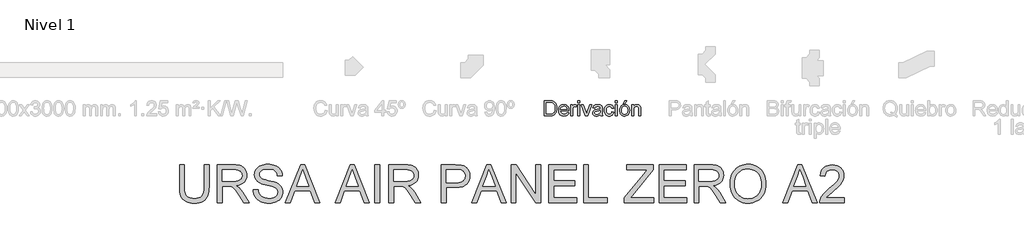
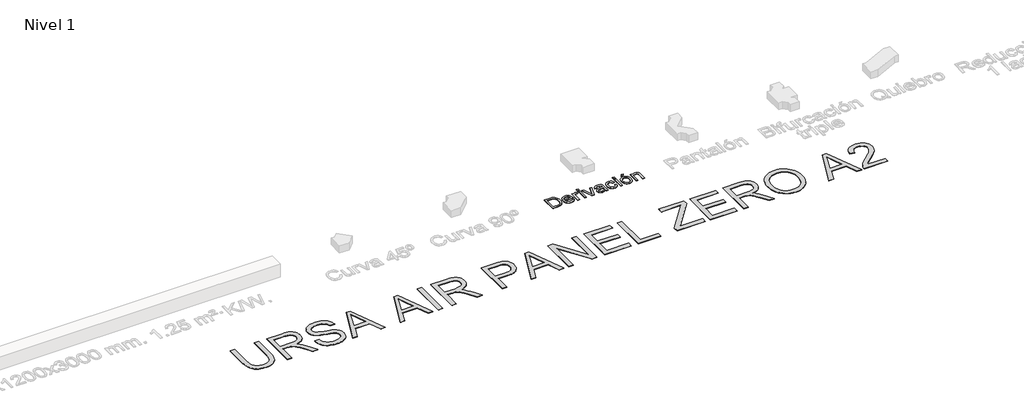
# One storey, part 3 of 6: 2 proxies.
"""IFC4 building model written with IfcOpenShell, lengths in millimetres."""

import ifcopenshell
import ifcopenshell.guid

model = None  # the IFC model being written
_history = None  # IfcOwnerHistory: only IFC2X3 demands one
_inside = {}  # id of a spatial element -> (the spatial element, [elements in it])
_under = {}  # id of a project, library or spatial element -> (it, [spatial elements below it])
_declared = {}  # id of a project -> (the project, [libraries it declares])
_typed = {}  # id of a type object -> (the type object, [elements of that type])
_made_of = {}  # id of a material, layer set ... -> (it, [elements and type objects made of it])


def new_model(schema):
    """Start an empty IFC model of exactly this schema.

    Asked for "IFC4X3", IfcOpenShell would pick the latest addendum, in which some entities
    have other attributes; the version numbers below select the first issue.
    IFC2X3 requires an IfcOwnerHistory on every rooted entity: one is made here for all.
    """
    global model, _history
    if schema == "IFC4X3":
        model = ifcopenshell.file(schema_version=(4, 3, 0, 0))
    else:
        model = ifcopenshell.file(schema=schema)
    _inside.clear()
    _under.clear()
    _declared.clear()
    _typed.clear()
    _made_of.clear()
    _history = None
    if model.schema == "IFC2X3":
        org = make("IfcOrganization", Name="unknown")
        user = make(
            "IfcPersonAndOrganization",
            ThePerson=make("IfcPerson", FamilyName="unknown"),
            TheOrganization=org,
        )
        app = make(
            "IfcApplication",
            ApplicationDeveloper=org,
            Version="unknown",
            ApplicationFullName="unknown",
            ApplicationIdentifier="unknown",
        )
        _history = make(
            "IfcOwnerHistory",
            OwningUser=user,
            OwningApplication=app,
            ChangeAction="ADDED",
            CreationDate=0,
        )
    return model


def make(cls, **values):
    """One entity of the class cls with the attributes given. An attribute that is None is left unset."""
    return model.create_entity(
        cls, **{name: value for name, value in values.items() if value is not None}
    )


def rooted(cls, **values):
    """An entity with a GlobalId (a new one), such as an element, a storey or a relation."""
    return make(cls, GlobalId=ifcopenshell.guid.new(), OwnerHistory=_history, **values)


def si_unit(unit_type, name, prefix=None):
    """IfcSIUnit, for example si_unit("LENGTHUNIT", "METRE", prefix="MILLI")."""
    return make("IfcSIUnit", UnitType=unit_type, Prefix=prefix, Name=name)


def assignment(units):
    """IfcUnitAssignment: the units of a project."""
    return None if units is None else make("IfcUnitAssignment", Units=units)


def point(xyz):
    """IfcCartesianPoint."""
    return None if xyz is None else make("IfcCartesianPoint", Coordinates=xyz)


def direction(xyz):
    """IfcDirection."""
    return None if xyz is None else make("IfcDirection", DirectionRatios=xyz)


def frame(location, z_axis=None, x_axis=None):
    """IfcAxis2Placement3D, a coordinate frame: its origin and axes. An axis left out is left unset."""
    return make(
        "IfcAxis2Placement3D",
        Location=point(location),
        Axis=direction(z_axis),
        RefDirection=direction(x_axis),
    )


def origin():
    """The frame at (0, 0, 0) with its axes left unset."""
    return frame((0.0, 0.0, 0.0))


def origin_with_axes():
    """The frame at (0, 0, 0) with the z axis (0, 0, 1) and the x axis (1, 0, 0) written out."""
    return frame((0.0, 0.0, 0.0), z_axis=(0.0, 0.0, 1.0), x_axis=(1.0, 0.0, 0.0))


def place(relative_to, where):
    """IfcLocalPlacement: puts the frame where relative to a parent placement (None: the world)."""
    return make(
        "IfcLocalPlacement", PlacementRelTo=relative_to, RelativePlacement=where
    )


def context(
    kind, dimensions, precision=None, world=None, true_north=None, identifier=None
):
    """IfcGeometricRepresentationContext, for example the 3D "Model" context."""
    return make(
        "IfcGeometricRepresentationContext",
        ContextIdentifier=identifier,
        ContextType=kind,
        CoordinateSpaceDimension=dimensions,
        Precision=precision,
        WorldCoordinateSystem=world,
        TrueNorth=true_north,
    )


def project(units=None, contexts=None):
    """IfcProject with its units and contexts."""
    return rooted(
        "IfcProject",
        Name="project",
        RepresentationContexts=contexts,
        UnitsInContext=assignment(units),
    )


def spatial(cls, under=None, at=None, **own):
    """A site, building, storey or space (cls), placed at a placement, below another one or the project."""
    s = rooted(cls, ObjectPlacement=at, **own)
    if under is not None:
        _under.setdefault(under.id(), (under, []))[1].append(s)
    return s


def polyline(points):
    """IfcPolyline through the points."""
    return make("IfcPolyline", Points=[point(p) for p in points])


def outline(outer, holes=None, kind="AREA"):
    """IfcArbitraryClosedProfileDef: a profile drawn as a closed curve; with holes, ...WithVoids."""
    if holes is None:
        return make("IfcArbitraryClosedProfileDef", ProfileType=kind, OuterCurve=outer)
    return make(
        "IfcArbitraryProfileDefWithVoids",
        ProfileType=kind,
        OuterCurve=outer,
        InnerCurves=holes,
    )


def extrude(swept, where, along, depth):
    """IfcExtrudedAreaSolid: the profile swept, set in the frame where, extruded along a direction by depth."""
    return make(
        "IfcExtrudedAreaSolid",
        SweptArea=swept,
        Position=where,
        ExtrudedDirection=direction(along),
        Depth=depth,
    )


def shape(context_of_items, identifier, shape_type, items):
    """IfcShapeRepresentation: the items that make up one representation, for example the "Body"."""
    return make(
        "IfcShapeRepresentation",
        ContextOfItems=context_of_items,
        RepresentationIdentifier=identifier,
        RepresentationType=shape_type,
        Items=items,
    )


def made_of(thing, what):
    """Note that an element or type object is made of a material, layer set ...; save() writes the relation."""
    if what is not None:
        _made_of.setdefault(what.id(), (what, []))[1].append(thing)
    return thing


def element(
    cls,
    number,
    at=None,
    inside=None,
    cuts=None,
    type_object=None,
    material=None,
    context=None,
    identifier="Body",
    shape_type=None,
    held_by="IfcProductDefinitionShape",
    body=None,
    shapes=None,
    **own,
):
    """One element of the class cls, such as IfcWall. Its Tag is "e" and its number.

    at: its placement. inside: the storey or other place that contains it. cuts: it is an
    opening in that element (IfcRelVoidsElement). A single representation is given by context,
    identifier, shape_type and body (its items); several are given by shapes. held_by: the class
    of the entity that holds the representations. save() writes the other relations.
    """
    e = rooted(cls, Tag="e%d" % number, ObjectPlacement=at, **own)
    if body is not None:
        shapes = [shape(context, identifier, shape_type, body)]
    if shapes is not None:
        e.Representation = make(held_by, Representations=shapes)
    if inside is not None:
        _inside.setdefault(inside.id(), (inside, []))[1].append(e)
    if cuts is not None:
        rooted(
            "IfcRelVoidsElement", RelatingBuildingElement=cuts, RelatedOpeningElement=e
        )
    if type_object is not None:
        _typed.setdefault(type_object.id(), (type_object, []))[1].append(e)
    return made_of(e, material)


def aggregate(whole, parts):
    """IfcRelAggregates: a whole, such as a stair, and the parts it consists of."""
    return rooted("IfcRelAggregates", RelatingObject=whole, RelatedObjects=parts)


def save(model, path):
    """Write the relations noted so far, then the file.

    IfcRelAggregates (storeys below a building ...), IfcRelContainedInSpatialStructure (elements
    in a storey), IfcRelDefinesByType, IfcRelAssociatesMaterial and IfcRelDeclares: one each for
    every whole, place, type object, material and project.
    """
    for whole, parts in _under.values():
        aggregate(whole, parts)
    for where, things in _inside.values():
        rooted(
            "IfcRelContainedInSpatialStructure",
            RelatedElements=things,
            RelatingStructure=where,
        )
    for kind, things in _typed.values():
        rooted("IfcRelDefinesByType", RelatedObjects=things, RelatingType=kind)
    for what, things in _made_of.values():
        rooted("IfcRelAssociatesMaterial", RelatedObjects=things, RelatingMaterial=what)
    for by, libraries in _declared.values():
        rooted("IfcRelDeclares", RelatingContext=by, RelatedDefinitions=libraries)
    model.write(path)


model = new_model("IFC4")

# Units and contexts
model_context = context("Model", 3, world=origin())
ifc_project = project(units=[si_unit("LENGTHUNIT", "METRE", prefix="MILLI")], contexts=[model_context])

# Site, building, storey
site = spatial("IfcSite", under=ifc_project)
building = spatial("IfcBuilding", under=site)
storey = spatial("IfcBuildingStorey", under=building, Name="Nivel 1", Elevation=0.0)

# Proxies
placement = place(None, origin())
element("IfcBuildingElementProxy", 1, Name="Texto de modelo 1", ObjectType="Texto de modelo 1", at=placement, inside=storey, context=model_context, shape_type="SweptSolid", body=[
    extrude(outline(polyline([(-6629.3028413, -1016.3248037), (-6629.3028413, -614.4995631), (-6490.6849056, -614.4995631), (-6449.2613929, -615.9465656), (-6418.972442, -620.2875732), (-6386.9421829, -631.4466603), (-6359.915119, -649.0314197), (-6332.1277656, -679.6392017), (-6312.3357143, -717.7027255), (-6300.4899141, -762.486227), (-6296.541314, -813.2539424), (-6299.2145898, -856.3819749), (-6307.2344173, -894.3351341), (-6319.4480995, -926.647436), (-6334.7029396, -952.8528968), (-6352.2631735, -973.5401277), (-6371.3930373, -989.2977398), (-6393.3555924, -1000.9841245), (-6419.4139004, -1009.4576731), (-6449.6170122, -1014.6080211), (-6484.0139787, -1016.3248037), (-6629.3028413, -1016.3248037)]), holes=[polyline([(-6579.0746863, -966.0966486), (-6490.1943962, -966.0966486), (-6453.4307222, -964.2817641), (-6425.5452669, -958.8371106), (-6404.5024168, -950.0815191), (-6388.2665581, -938.3338207), (-6370.8166888, -916.5919948), (-6357.707827, -888.4490222), (-6349.5040585, -853.7822755), (-6346.769469, -812.4691274), (-6352.1282834, -757.7282866), (-6358.8268014, -735.7289432), (-6368.2047266, -717.310318), (-6391.9576408, -689.5474901), (-6420.3458681, -672.7720711), (-6449.2368674, -666.7388064), (-6491.5678224, -664.7277182), (-6579.0746863, -664.7277182), (-6579.0746863, -966.0966486)])]), origin_with_axes(), (0.0, 0.0, 1.0), 10.0),
    extrude(outline(polyline([(-6027.1535916, -928.4255323), (-5977.9064552, -934.7040517), (-5985.4572332, -954.428658), (-5995.6506301, -971.8110823), (-6008.4866461, -986.8513245), (-6023.965281, -999.5493847), (-6041.9271194, -1009.6354827), (-6062.2127458, -1016.8398385), (-6109.7553623, -1022.6033231), (-6140.9210986, -1020.1170539), (-6168.6900579, -1012.6582465), (-6193.0622401, -1000.2269007), (-6214.0376452, -982.8230167), (-6230.9050347, -960.9309723), (-6242.95317, -935.0351455), (-6250.1820512, -905.1355363), (-6252.5916783, -871.2321448), (-6250.1575257, -836.179122), (-6242.8550681, -805.2831658), (-6230.6843055, -778.5442761), (-6213.6452377, -755.962453), (-6192.7250149, -738.0220743), (-6168.9107871, -725.2075182), (-6142.2025543, -717.5187845), (-6112.6003164, -714.9558732), (-6083.951506, -717.5126531), (-6058.0434165, -725.1829927), (-6034.8760479, -737.966892), (-6014.4494001, -755.8643511), (-5997.7751486, -778.3971233), (-5985.864969, -805.0869621), (-5978.7188613, -835.9338674), (-5976.3368254, -870.9378392), (-5976.631131, -884.4758966), (-6202.3635232, -884.4758966), (-6199.4541898, -904.519334), (-6193.6692454, -922.0734365), (-6185.0086901, -937.1382042), (-6173.4725239, -949.7136371), (-6159.6984088, -959.6280569), (-6144.3240071, -966.7097853), (-6108.7743436, -972.375168), (-6082.0415853, -969.7509431), (-6059.5272072, -961.8782684), (-6041.2312093, -948.2666346), (-6027.1535916, -928.4255323)]), holes=[polyline([(-6202.3635232, -834.2477415), (-6026.5649804, -834.2477415), (-6033.3585346, -807.711187), (-6046.6758629, -788.728476), (-6060.3733358, -778.4277801), (-6075.9592697, -771.0701402), (-6093.4336644, -766.6555563), (-6112.7965201, -765.1840283), (-6146.6539264, -769.8806551), (-6174.6497462, -783.9705355), (-6194.1107038, -805.9330907), (-6202.3635232, -834.2477415)])]), origin_with_axes(), (0.0, 0.0, 1.0), 10.0),
    extrude(outline(polyline([(-5926.1086703, -1016.3248037), (-5926.1086703, -721.2343926), (-5882.1590346, -721.2343926), (-5882.1590346, -764.8897227), (-5865.9231759, -739.5794415), (-5850.9626414, -724.6679579), (-5835.953056, -717.3838944), (-5819.5700445, -714.9558732), (-5794.5540688, -718.8308969), (-5769.1456857, -730.455968), (-5785.9211047, -775.4847242), (-5803.5794404, -767.7592023), (-5821.2377762, -765.1840283), (-5836.2350989, -767.6611004), (-5849.6382662, -775.0923167), (-5860.4662596, -786.9135915), (-5867.7380604, -802.560839), (-5873.8449015, -830.6179725), (-5875.8805152, -861.2257545), (-5875.8805152, -1016.3248037), (-5926.1086703, -1016.3248037)])), origin_with_axes(), (0.0, 0.0, 1.0), 10.0),
    extrude(outline(polyline([(-5737.7530888, -664.7277182), (-5737.7530888, -614.4995631), (-5687.5249337, -614.4995631), (-5687.5249337, -664.7277182), (-5737.7530888, -664.7277182)])), origin_with_axes(), (0.0, 0.0, 1.0), 10.0),
    extrude(outline(polyline([(-5737.7530888, -1016.3248037), (-5737.7530888, -721.2343926), (-5687.5249337, -721.2343926), (-5687.5249337, -1016.3248037), (-5737.7530888, -1016.3248037)])), origin_with_axes(), (0.0, 0.0, 1.0), 10.0),
    extrude(outline(polyline([(-5539.7835244, -1016.3248037), (-5643.575298, -721.2343926), (-5590.404087, -721.2343926), (-5527.5207913, -898.013954), (-5508.5871312, -957.4636845), (-5490.0458787, -901.3494175), (-5426.7701755, -721.2343926), (-5373.5989645, -721.2343926), (-5476.1154138, -1016.3248037), (-5539.7835244, -1016.3248037)])), origin_with_axes(), (0.0, 0.0, 1.0), 10.0),
    extrude(outline(polyline([(-5141.2937473, -978.6536874), (-5165.2919161, -999.2305537), (-5190.0013234, -1012.6950347), (-5215.986055, -1020.126251), (-5243.8101966, -1022.6033231), (-5266.1743562, -1021.113401), (-5285.7855322, -1016.6436348), (-5302.6437247, -1009.1940244), (-5316.7489335, -998.7645698), (-5327.8865609, -986.0174587), (-5335.842009, -971.6148785), (-5340.6152779, -955.5568295), (-5342.2063676, -937.8433114), (-5339.8028719, -917.0211905), (-5332.5923847, -898.1120559), (-5321.4700858, -881.9252481), (-5307.3311544, -869.2701075), (-5290.715151, -859.7051756), (-5272.1616357, -852.7889941), (-5228.7025093, -845.2351505), (-5177.3461828, -837.2888994), (-5141.5880529, -827.9692222), (-5141.2937473, -816.7856095), (-5144.751838, -794.3693333), (-5155.1261103, -779.7031044), (-5178.3272014, -768.8137973), (-5210.6517661, -765.1840283), (-5240.572835, -767.5997868), (-5261.4685323, -774.8470621), (-5275.7178283, -788.2502294), (-5285.6996931, -809.133664), (-5335.9278482, -802.8551446), (-5327.2090449, -775.3866223), (-5314.198285, -753.8042119), (-5295.6815579, -737.2985731), (-5270.444853, -725.0603654), (-5239.5795536, -717.4819963), (-5204.177043, -714.9558732), (-5170.2215348, -717.1876907), (-5143.3048355, -723.883143), (-5123.0100121, -733.9508469), (-5108.9201317, -746.2994192), (-5099.575929, -761.566522), (-5093.5181388, -780.3898175), (-5091.0655922, -824.3394531), (-5091.0655922, -886.8303414), (-5088.5149437, -974.0919506), (-5078.5085534, -1016.3248037), (-5128.7367085, -1016.3248037), (-5136.7810614, -998.8626717), (-5141.2937473, -978.6536874)]), holes=[polyline([(-5141.2937473, -878.1973772), (-5175.0407889, -886.5605613), (-5222.3258881, -893.5993701), (-5265.5397598, -901.7418249), (-5276.7846861, -907.3091058), (-5285.1110819, -914.9855768), (-5290.2614298, -924.1826266), (-5291.9782125, -934.3116442), (-5288.2380789, -949.2476532), (-5277.017678, -961.4858609), (-5258.5622646, -969.6528412), (-5233.1170933, -972.375168), (-5206.1390803, -969.3707984), (-5182.300327, -960.3576895), (-5162.9742595, -947.0771495), (-5149.5343039, -931.2704864), (-5143.5746156, -914.9855768), (-5141.5880529, -892.4221477), (-5141.2937473, -878.1973772)])]), origin_with_axes(), (0.0, 0.0, 1.0), 10.0),
    extrude(outline(polyline([(-4833.6462974, -909.5899742), (-4783.4181423, -915.8684935), (-4788.88119, -939.5692911), (-4797.4221836, -960.5416305), (-4809.0411233, -978.7855118), (-4823.738009, -994.3009349), (-4840.8935727, -1006.6832297), (-4859.8885464, -1015.527726), (-4880.7229301, -1020.8344238), (-4903.3967237, -1022.6033231), (-4931.5672875, -1020.135448), (-4956.8254521, -1012.7318229), (-4979.1712177, -1000.3924476), (-4998.6045841, -983.1173223), (-5014.334605, -961.2314092), (-5025.5703343, -935.059671), (-5032.3117719, -904.6021074), (-5034.5589177, -869.8587187), (-5030.7206822, -825.1610563), (-5019.2059758, -786.4230822), (-4999.8308574, -755.1408499), (-4972.411386, -732.8104127), (-4939.6085748, -719.4195081), (-4904.0834368, -714.9558732), (-4881.7989849, -716.4887149), (-4861.6421173, -721.0872398), (-4843.6128338, -728.7514481), (-4827.7111346, -739.4813396), (-4814.2067997, -753.0316597), (-4803.3696092, -769.1571539), (-4795.1995632, -787.857822), (-4789.6966617, -809.133664), (-4839.9248168, -815.4121834), (-4849.0360276, -793.4986792), (-4863.2240098, -777.790118), (-4881.7039487, -768.3355507), (-4903.6910293, -765.1840283), (-4920.7576882, -766.7352641), (-4936.150484, -771.3889713), (-4949.8694167, -779.14515), (-4961.9144864, -790.0038003), (-4971.7216073, -804.216308), (-4978.7266936, -822.0340593), (-4982.9297454, -843.4570542), (-4984.3307626, -868.4852926), (-4978.8493209, -915.5619252), (-4971.9975188, -933.4992382), (-4962.4049957, -947.7025489), (-4950.5990494, -958.4968197), (-4937.1069772, -966.2070132), (-4921.9287792, -970.8331293), (-4905.0644554, -972.375168), (-4879.0551984, -968.5246698), (-4857.7303054, -956.9731751), (-4842.2179479, -937.4263785), (-4833.6462974, -909.5899742)])), origin_with_axes(), (0.0, 0.0, 1.0), 10.0),
    extrude(outline(polyline([(-4739.4685067, -1016.3248037), (-4739.4685067, -721.2343926), (-4689.2403516, -721.2343926), (-4689.2403516, -1016.3248037), (-4739.4685067, -1016.3248037)])), origin_with_axes(), (0.0, 0.0, 1.0), 10.0),
    extrude(outline(polyline([(-4739.4685067, -664.7277182), (-4739.4685067, -614.4995631), (-4689.2403516, -614.4995631), (-4689.2403516, -664.7277182), (-4739.4685067, -664.7277182)])), origin_with_axes(), (0.0, 0.0, 1.0), 10.0),
    extrude(outline(polyline([(-4626.4551577, -868.7795982), (-4623.7389623, -830.5627902), (-4615.5903761, -797.6312203), (-4602.0093992, -769.9848884), (-4582.9960314, -747.6237944), (-4563.8539049, -733.3315789), (-4542.7252156, -723.1228535), (-4519.6099636, -716.9976183), (-4494.5081488, -714.9558732), (-4466.7974375, -717.4421424), (-4441.741608, -724.9009498), (-4419.3406601, -737.3322956), (-4399.594594, -754.7361797), (-4383.478297, -776.5239908), (-4371.9666562, -802.1071179), (-4365.0596717, -831.4855609), (-4362.7573436, -864.6593198), (-4366.828571, -915.4025097), (-4379.0422532, -954.0301192), (-4399.0427711, -982.9579067), (-4426.4745052, -1004.6016308), (-4459.0565872, -1018.1029), (-4494.5081488, -1022.6033231), (-4522.6235303, -1020.126251), (-4547.9123518, -1012.6950347), (-4570.3746133, -1000.3096742), (-4590.0103147, -982.9701695), (-4605.9549336, -960.9708262), (-4617.343947, -934.6059498), (-4624.1773551, -903.8755405), (-4626.4551577, -868.7795982)]), holes=[polyline([(-4576.2270027, -868.6814963), (-4574.7738688, -893.0444814), (-4570.4144671, -914.1394482), (-4563.1487977, -931.9663965), (-4552.9768606, -946.5253265), (-4540.6037628, -957.8346321), (-4526.7346116, -965.9127076), (-4511.3694069, -970.7595529), (-4494.5081488, -972.375168), (-4477.7327298, -970.7503559), (-4462.4288388, -965.8759194), (-4448.5964758, -957.7518587), (-4436.2356408, -946.3781737), (-4426.0637036, -931.6751566), (-4418.7980342, -913.5630997), (-4414.4386326, -892.042003), (-4412.9854987, -867.1118665), (-4414.4478296, -843.5214335), (-4418.8348224, -822.9782898), (-4426.146477, -805.4824352), (-4436.3827936, -791.0338698), (-4448.7896139, -779.7245642), (-4462.6127798, -771.6464887), (-4477.8522915, -766.7996434), (-4494.5081488, -765.1840283), (-4511.3694069, -766.793512), (-4526.7346116, -771.6219632), (-4540.6037628, -779.6693819), (-4552.9768606, -790.935768), (-4563.1487977, -805.4517784), (-4570.4144671, -823.2480699), (-4574.7738688, -844.3246425), (-4576.2270027, -868.6814963)])]), origin_with_axes(), (0.0, 0.0, 1.0), 10.0),
    extrude(outline(polyline([(-4532.277367, -689.8417957), (-4494.6062507, -614.4995631), (-4431.8210568, -614.4995631), (-4494.6062507, -689.8417957), (-4532.277367, -689.8417957)])), origin_with_axes(), (0.0, 0.0, 1.0), 10.0),
    extrude(outline(polyline([(-4306.2506691, -1016.3248037), (-4306.2506691, -721.2343926), (-4256.0225141, -721.2343926), (-4256.0225141, -762.4371761), (-4238.5726448, -741.6641061), (-4217.6156338, -726.826199), (-4193.1514811, -717.9234547), (-4165.1801867, -714.9558732), (-4140.4217284, -717.3471062), (-4117.7479348, -724.5208051), (-4098.8388003, -735.5817904), (-4085.3743192, -749.6348827), (-4076.238583, -766.6432936), (-4070.3156829, -786.570235), (-4067.6669325, -835.1306583), (-4067.6669325, -1016.3248037), (-4117.8950876, -1016.3248037), (-4117.8950876, -841.899687), (-4119.3420901, -815.9272182), (-4123.6830977, -797.459542), (-4131.6906624, -784.2280529), (-4144.1373366, -773.9641453), (-4160.0911525, -767.3790576), (-4178.6201423, -765.1840283), (-4208.0384392, -770.1136471), (-4233.1157285, -784.9025033), (-4243.1374472, -796.9751641), (-4250.2958177, -813.4746716), (-4254.59084, -834.4010257), (-4256.0225141, -859.7542265), (-4256.0225141, -1016.3248037), (-4306.2506691, -1016.3248037)])), origin_with_axes(), (0.0, 0.0, 1.0), 10.0),
])
element("IfcBuildingElementProxy", 2, Name="Texto de modelo 2", ObjectType="Texto de modelo 2", at=placement, inside=storey, context=model_context, shape_type="SweptSolid", body=[
    extrude(outline(polyline([(-15676.2135615, -2321.7490961), (-15550.6431738, -2321.7490961), (-15550.6431738, -2901.2858659), (-15552.7738237, -2973.0458476), (-15559.1657733, -3037.0036653), (-15569.8190228, -3093.159319), (-15584.733572, -3141.5128087), (-15605.197008, -3183.8958802), (-15632.4969177, -3222.1402793), (-15666.6333012, -3256.246006), (-15707.6061584, -3286.2130602), (-15755.4614746, -3310.6235634), (-15810.2452351, -3328.0596371), (-15871.9574397, -3338.5212813), (-15940.5980887, -3342.0084961), (-16007.5449476, -3338.9734696), (-16068.0998568, -3329.8683902), (-16122.2628164, -3314.6932579), (-16170.0338263, -3293.4480727), (-16211.4205508, -3266.4470671), (-16246.430654, -3234.0044737), (-16275.064136, -3196.1202924), (-16297.3209967, -3152.7945232), (-16314.005978, -3102.5403099), (-16325.9238218, -3043.8707958), (-16333.0745281, -2976.7859812), (-16335.4580968, -2901.2858659), (-16335.4580968, -2321.7490961), (-16209.8877091, -2321.7490961), (-16209.8877091, -2896.8712819), (-16208.3395391, -2957.5794753), (-16203.6950289, -3009.7190839), (-16195.9541786, -3053.2901078), (-16185.1169881, -3088.2925467), (-16170.5090072, -3117.2555897), (-16151.4557856, -3142.7084252), (-16127.9573231, -3164.6510534), (-16100.0136199, -3183.0834742), (-16068.1611705, -3197.6761266), (-16032.9364695, -3208.0994498), (-15994.3395168, -3214.3534438), (-15952.3703125, -3216.4381084), (-15883.1625122, -3212.3147644), (-15824.6539465, -3199.9447323), (-15776.8446156, -3179.3280121), (-15756.9521631, -3165.927144), (-15739.7345193, -3150.4646039), (-15724.8467948, -3132.0705042), (-15711.9441003, -3109.8749571), (-15692.0938009, -3054.0795212), (-15680.1836213, -2983.0782961), (-15676.2135615, -2896.8712819), (-15676.2135615, -2321.7490961)])), origin_with_axes(), (0.0, 0.0, 1.0), 10.0),
    extrude(outline(polyline([(-15330.8949953, -3326.3121976), (-15330.8949953, -2321.7490961), (-14898.0205143, -2321.7490961), (-14835.8867782, -2323.4428862), (-14781.6778334, -2328.5242562), (-14735.3936799, -2336.9932063), (-14697.0343177, -2348.8497364), (-14664.3694622, -2365.0058874), (-14635.1688288, -2386.3737), (-14609.4324175, -2412.9531741), (-14587.1602284, -2444.7443099), (-14569.1876601, -2480.0379888), (-14556.3501113, -2517.1250924), (-14548.6475821, -2556.0056208), (-14546.0800723, -2596.6795739), (-14550.3337079, -2648.2750237), (-14563.0946146, -2695.6398306), (-14584.3627924, -2738.7739945), (-14614.1382414, -2777.6775155), (-14652.8041719, -2811.1087918), (-14700.7437944, -2837.8262217), (-14757.9571089, -2857.8298052), (-14824.4441153, -2871.1195423), (-14783.0573909, -2898.1588689), (-14753.0750082, -2924.8303136), (-14701.6328426, -2985.8374111), (-14651.2943229, -3054.0795212), (-14483.7853878, -3326.3121976), (-14629.7119125, -3326.3121976), (-14760.4326482, -3118.0909884), (-14812.7332051, -3038.6284774), (-14854.8556936, -2980.2578675), (-14889.9577673, -2940.0667595), (-14921.19708, -2915.1427544), (-14950.7809238, -2900.519445), (-14980.9165906, -2891.2304247), (-15053.7572256, -2886.8158407), (-15205.3246077, -2886.8158407), (-15205.3246077, -3326.3121976), (-15330.8949953, -3326.3121976)]), holes=[polyline([(-15205.3246077, -2761.245453), (-14924.2627633, -2761.245453), (-14843.5433222, -2756.8002123), (-14780.9114126, -2743.4644899), (-14755.7268243, -2733.2404362), (-14733.7612035, -2720.3492379), (-14715.0145502, -2704.7908952), (-14699.4868643, -2686.565408), (-14687.3084374, -2666.5694887), (-14678.6095611, -2645.6998497), (-14673.3902353, -2623.956491), (-14671.65046, -2601.3394125), (-14674.9690621, -2569.22638), (-14684.9248686, -2540.0870603), (-14701.5178795, -2513.9214534), (-14724.7480946, -2490.7295593), (-14755.1520087, -2471.7376513), (-14793.2661162, -2458.1720027), (-14839.0904172, -2450.0326135), (-14892.6249118, -2447.3194838), (-15205.3246077, -2447.3194838), (-15205.3246077, -2761.245453)])]), origin_with_axes(), (0.0, 0.0, 1.0), 10.0),
    extrude(outline(polyline([(-14373.4207892, -2980.9936315), (-14247.8504015, -2980.9936315), (-14242.1022454, -3017.5442406), (-14233.4416901, -3050.6766127), (-14221.8687356, -3080.3907481), (-14207.3833821, -3106.6866465), (-14189.2498654, -3130.0931385), (-14166.7324216, -3151.1390543), (-14139.8310507, -3169.8243939), (-14108.5457527, -3186.1491575), (-14074.0261588, -3199.4005735), (-14037.4219003, -3208.8658707), (-13998.7329771, -3214.545049), (-13957.9593893, -3216.4381084), (-13888.0004966, -3210.7052806), (-13856.2860029, -3203.5392459), (-13826.7481444, -3193.5067974), (-13800.1150208, -3180.9681527), (-13777.1147319, -3166.2835297), (-13757.7472777, -3149.4529284), (-13742.0126582, -3130.4763489), (-13729.8342313, -3110.1738613), (-13721.1353549, -3089.3655359), (-13715.9160291, -3068.0513728), (-13714.1762539, -3046.231372), (-13719.3879155, -3004.200854), (-13735.0229003, -2967.872507), (-13748.1746816, -2951.7546771), (-13766.7833792, -2936.8784489), (-13790.848993, -2923.2438225), (-13820.3715231, -2910.8507977), (-13886.6822528, -2891.1384542), (-14003.2088747, -2862.903511), (-14123.2303757, -2831.173689), (-14167.0313257, -2815.8835935), (-14200.0257422, -2800.9767085), (-14233.5566532, -2780.973125), (-14262.5350245, -2758.7315927), (-14286.9608562, -2734.2521116), (-14306.8341481, -2707.5346817), (-14322.2315424, -2678.8552145), (-14333.2296813, -2648.4896215), (-14339.8285645, -2616.4379027), (-14342.0281923, -2582.700058), (-14339.3073984, -2545.3063861), (-14331.1450166, -2509.1543158), (-14317.541047, -2474.2438473), (-14298.4954895, -2440.5749806), (-14274.2229421, -2409.5196088), (-14244.9380024, -2382.4496253), (-14210.6406706, -2359.3650301), (-14171.3309465, -2340.2658232), (-14128.3347384, -2325.2976245), (-14082.977954, -2314.6060541), (-14035.2605936, -2308.1911118), (-13985.182657, -2306.0527977), (-13930.5521807, -2308.2907465), (-13879.2326424, -2315.0045929), (-13831.224042, -2326.1943369), (-13786.5263796, -2341.8599785), (-13745.9673896, -2361.863562), (-13710.3748066, -2386.0671316), (-13679.7486305, -2414.4706873), (-13654.0888613, -2447.0742292), (-13633.5947685, -2482.9273953), (-13618.4656215, -2521.0798239), (-13608.7014202, -2561.5315149), (-13604.3021646, -2604.2824684), (-13729.8725523, -2604.2824684), (-13738.2725246, -2564.2139878), (-13752.9264907, -2529.3571687), (-13773.8344508, -2499.7120113), (-13800.9964047, -2475.2785155), (-13834.9181904, -2456.1793085), (-13876.1056454, -2442.5370179), (-13924.5587699, -2434.3516435), (-13980.2775637, -2431.6231854), (-14037.7744539, -2434.3209867), (-14086.9020286, -2442.4143906), (-14127.660288, -2455.903397), (-14160.049232, -2474.7880061), (-14184.7279825, -2497.4893909), (-14202.3556615, -2522.4287245), (-14212.9322688, -2549.6060069), (-14216.4578046, -2579.0212381), (-14213.9592727, -2604.3284537), (-14206.4636771, -2627.2750931), (-14193.9710177, -2647.8611564), (-14176.4812945, -2666.0866436), (-14148.9514585, -2683.3464406), (-14105.6026967, -2700.7901785), (-14046.4350092, -2718.4178574), (-13971.4483958, -2736.2294774), (-13833.0021383, -2769.8906799), (-13784.2884308, -2785.1117975), (-13749.2476707, -2799.2599259), (-13710.7503528, -2820.7043805), (-13677.6639658, -2844.8159796), (-13649.9885099, -2871.5947232), (-13627.723985, -2901.0406112), (-13610.609808, -2933.0003595), (-13598.3853959, -2967.320684), (-13591.0507486, -3004.0015846), (-13588.6058662, -3043.0430613), (-13591.4186306, -3082.3221285), (-13599.8569239, -3120.4515645), (-13613.920746, -3157.4313692), (-13633.6100969, -3193.2615427), (-13658.5800873, -3226.5548633), (-13688.4858279, -3255.9241092), (-13723.3273185, -3281.3692806), (-13763.1045592, -3302.8903773), (-13806.6602546, -3320.0045543), (-13852.8371092, -3332.2289664), (-13901.635123, -3339.5636137), (-13953.0542961, -3342.0084961), (-14017.2880253, -3339.3720085), (-14076.0801666, -3331.4625456), (-14129.4307201, -3318.2801074), (-14177.3396858, -3299.824694), (-14220.0983035, -3276.0656485), (-14257.9978132, -3246.972314), (-14291.0382149, -3212.5446906), (-14319.2195086, -3172.7827783), (-14341.9208934, -3128.974164), (-14358.5215684, -3082.4064348), (-14369.0215337, -3033.0795906), (-14373.4207892, -2980.9936315)])), origin_with_axes(), (0.0, 0.0, 1.0), 10.0),
    extrude(outline(polyline([(-13517.2367591, -3326.3121976), (-13116.2453844, -2321.7490961), (-13009.3143511, -2321.7490961), (-12608.3229764, -3326.3121976), (-12741.0057493, -3326.3121976), (-12856.0301865, -3012.3862284), (-13269.7748037, -3012.3862284), (-13384.5539862, -3326.3121976), (-13517.2367591, -3326.3121976)]), holes=[polyline([(-13223.666927, -2886.8158407), (-12901.8928085, -2886.8158407), (-12992.3917793, -2639.8443946), (-13062.7798677, -2447.3194838), (-13125.3198069, -2618.2619842), (-13223.666927, -2886.8158407)])]), origin_with_axes(), (0.0, 0.0, 1.0), 10.0),
    extrude(outline(polyline([(-12198.7476884, -3326.3121976), (-11797.7563137, -2321.7490961), (-11690.8252804, -2321.7490961), (-11289.8339057, -3326.3121976), (-11422.5166786, -3326.3121976), (-11537.5411157, -3012.3862284), (-11951.285733, -3012.3862284), (-12066.0649155, -3326.3121976), (-12198.7476884, -3326.3121976)]), holes=[polyline([(-11905.1778563, -2886.8158407), (-11583.4037378, -2886.8158407), (-11673.9027086, -2639.8443946), (-11744.290797, -2447.3194838), (-11806.8307362, -2618.2619842), (-11905.1778563, -2886.8158407)])]), origin_with_axes(), (0.0, 0.0, 1.0), 10.0),
    extrude(outline(polyline([(-11139.9833063, -3326.3121976), (-11139.9833063, -2321.7490961), (-11014.4129186, -2321.7490961), (-11014.4129186, -3326.3121976), (-11139.9833063, -3326.3121976)])), origin_with_axes(), (0.0, 0.0, 1.0), 10.0),
    extrude(outline(polyline([(-10763.2721432, -3326.3121976), (-10763.2721432, -2321.7490961), (-10330.3976622, -2321.7490961), (-10268.2639261, -2323.4428862), (-10214.0549813, -2328.5242562), (-10167.7708277, -2336.9932063), (-10129.4114655, -2348.8497364), (-10096.74661, -2365.0058874), (-10067.5459767, -2386.3737), (-10041.8095654, -2412.9531741), (-10019.5373763, -2444.7443099), (-10001.564808, -2480.0379888), (-9988.7272592, -2517.1250924), (-9981.0247299, -2556.0056208), (-9978.4572202, -2596.6795739), (-9982.7108558, -2648.2750237), (-9995.4717625, -2695.6398306), (-10016.7399403, -2738.7739945), (-10046.5153893, -2777.6775155), (-10085.1813198, -2811.1087918), (-10133.1209423, -2837.8262217), (-10190.3342568, -2857.8298052), (-10256.8212632, -2871.1195423), (-10215.4345387, -2898.1588689), (-10185.4521561, -2924.8303136), (-10134.0099905, -2985.8374111), (-10083.6714708, -3054.0795212), (-9916.1625357, -3326.3121976), (-10062.0890604, -3326.3121976), (-10192.809796, -3118.0909884), (-10245.110353, -3038.6284774), (-10287.2328415, -2980.2578675), (-10322.3349152, -2940.0667595), (-10353.5742279, -2915.1427544), (-10383.1580717, -2900.519445), (-10413.2937385, -2891.2304247), (-10486.1343735, -2886.8158407), (-10637.7017555, -2886.8158407), (-10637.7017555, -3326.3121976), (-10763.2721432, -3326.3121976)]), holes=[polyline([(-10637.7017555, -2761.245453), (-10356.6399112, -2761.245453), (-10275.9204701, -2756.8002123), (-10213.2885604, -2743.4644899), (-10188.1039722, -2733.2404362), (-10166.1383514, -2720.3492379), (-10147.391698, -2704.7908952), (-10131.8640122, -2686.565408), (-10119.6855853, -2666.5694887), (-10110.9867089, -2645.6998497), (-10105.7673831, -2623.956491), (-10104.0276079, -2601.3394125), (-10107.34621, -2569.22638), (-10117.3020165, -2540.0870603), (-10133.8950274, -2513.9214534), (-10157.1252425, -2490.7295593), (-10187.5291566, -2471.7376513), (-10225.6432641, -2458.1720027), (-10271.4675651, -2450.0326135), (-10325.0020596, -2447.3194838), (-10637.7017555, -2447.3194838), (-10637.7017555, -2761.245453)])]), origin_with_axes(), (0.0, 0.0, 1.0), 10.0),
    extrude(outline(polyline([(-9366.3015802, -3326.3121976), (-9366.3015802, -2321.7490961), (-8994.0050011, -2321.7490961), (-8907.3074776, -2324.1403291), (-8843.9091471, -2331.314028), (-8808.9680217, -2338.8479447), (-8776.9852808, -2349.1869616), (-8747.9609242, -2362.3310787), (-8721.894952, -2378.2802961), (-8698.5114527, -2397.3641746), (-8677.5345147, -2419.9122752), (-8658.9641382, -2445.9245979), (-8642.800323, -2475.4011428), (-8629.7098554, -2507.3685553), (-8620.3595213, -2540.8534811), (-8614.7493209, -2575.8559201), (-8612.8792541, -2612.3758723), (-8617.9299673, -2674.0420918), (-8633.082107, -2730.7725611), (-8658.3356731, -2782.5672803), (-8693.6906657, -2829.4262495), (-8715.9264498, -2850.2345748), (-8742.2280964, -2868.2684568), (-8772.5956055, -2883.5278954), (-8807.028977, -2896.0128906), (-8845.528211, -2905.7234424), (-8888.0933075, -2912.6595509), (-8985.4210879, -2918.2084376), (-9240.7311925, -2918.2084376), (-9240.7311925, -3326.3121976), (-9366.3015802, -3326.3121976)]), holes=[polyline([(-9240.7311925, -2792.63805), (-8978.063448, -2792.63805), (-8917.6694871, -2789.7563077), (-8866.7178308, -2781.1110808), (-8825.208479, -2766.7023693), (-8793.1414317, -2746.5301732), (-8769.2137736, -2721.1309871), (-8752.1225893, -2691.0413056), (-8741.8678786, -2656.2611287), (-8738.4496418, -2616.7904563), (-8740.4653285, -2587.482524), (-8746.5123888, -2560.3818837), (-8756.5908227, -2535.4885353), (-8770.70063, -2512.802479), (-8788.0907185, -2493.0594786), (-8808.0099957, -2476.9952981), (-8830.4584616, -2464.6099376), (-8855.4361162, -2455.903397), (-8903.8739123, -2449.4654621), (-8981.0065039, -2447.3194838), (-9240.7311925, -2447.3194838), (-9240.7311925, -2792.63805)])]), origin_with_axes(), (0.0, 0.0, 1.0), 10.0),
    extrude(outline(polyline([(-8557.2064455, -3326.3121976), (-8156.2150707, -2321.7490961), (-8049.2840375, -2321.7490961), (-7648.2926627, -3326.3121976), (-7780.9754357, -3326.3121976), (-7895.9998728, -3012.3862284), (-8309.7444901, -3012.3862284), (-8424.5236726, -3326.3121976), (-8557.2064455, -3326.3121976)]), holes=[polyline([(-8263.6366133, -2886.8158407), (-7941.8624949, -2886.8158407), (-8032.3614657, -2639.8443946), (-8102.7495541, -2447.3194838), (-8165.2894933, -2618.2619842), (-8263.6366133, -2886.8158407)])]), origin_with_axes(), (0.0, 0.0, 1.0), 10.0),
    extrude(outline(polyline([(-7514.1383618, -3326.3121976), (-7514.1383618, -2321.7490961), (-7379.7388063, -2321.7490961), (-6854.8938265, -3117.600479), (-6854.8938265, -2321.7490961), (-6729.3234388, -2321.7490961), (-6729.3234388, -3326.3121976), (-6863.7229944, -3326.3121976), (-7388.5679741, -2530.2155601), (-7388.5679741, -3326.3121976), (-7514.1383618, -3326.3121976)])), origin_with_axes(), (0.0, 0.0, 1.0), 10.0),
    extrude(outline(polyline([(-6509.5752603, -3326.3121976), (-6509.5752603, -2321.7490961), (-5787.5455311, -2321.7490961), (-5787.5455311, -2447.3194838), (-6384.0048726, -2447.3194838), (-6384.0048726, -2745.5491546), (-5818.938128, -2745.5491546), (-5818.938128, -2871.1195423), (-6384.0048726, -2871.1195423), (-6384.0048726, -3200.7418099), (-5771.8492327, -3200.7418099), (-5771.8492327, -3326.3121976), (-6509.5752603, -3326.3121976)])), origin_with_axes(), (0.0, 0.0, 1.0), 10.0),
    extrude(outline(polyline([(-5583.4936511, -3326.3121976), (-5583.4936511, -2321.7490961), (-5457.9232634, -2321.7490961), (-5457.9232634, -3200.7418099), (-4955.6417127, -3200.7418099), (-4955.6417127, -3326.3121976), (-5583.4936511, -3326.3121976)])), origin_with_axes(), (0.0, 0.0, 1.0), 10.0),
    extrude(outline(polyline([(-4500.4490573, -3326.3121976), (-4500.4490573, -3196.0819713), (-3986.6405374, -2567.0037596), (-3889.0291814, -2447.3194838), (-4437.6638635, -2447.3194838), (-4437.6638635, -2321.7490961), (-3731.3304328, -2321.7490961), (-3731.3304328, -2447.3194838), (-4293.699376, -3135.7493241), (-4346.6743834, -3200.7418099), (-3715.6341343, -3200.7418099), (-3715.6341343, -3326.3121976), (-4500.4490573, -3326.3121976)])), origin_with_axes(), (0.0, 0.0, 1.0), 10.0),
    extrude(outline(polyline([(-3574.3674481, -3326.3121976), (-3574.3674481, -2321.7490961), (-2852.3377189, -2321.7490961), (-2852.3377189, -2447.3194838), (-3448.7970605, -2447.3194838), (-3448.7970605, -2745.5491546), (-2883.7303159, -2745.5491546), (-2883.7303159, -2871.1195423), (-3448.7970605, -2871.1195423), (-3448.7970605, -3200.7418099), (-2836.6414205, -3200.7418099), (-2836.6414205, -3326.3121976), (-3574.3674481, -3326.3121976)])), origin_with_axes(), (0.0, 0.0, 1.0), 10.0),
    extrude(outline(polyline([(-2648.285839, -3326.3121976), (-2648.285839, -2321.7490961), (-2215.411358, -2321.7490961), (-2153.2776218, -2323.4428862), (-2099.068677, -2328.5242562), (-2052.7845235, -2336.9932063), (-2014.4251613, -2348.8497364), (-1981.7603058, -2365.0058874), (-1952.5596724, -2386.3737), (-1926.8232612, -2412.9531741), (-1904.551072, -2444.7443099), (-1886.5785037, -2480.0379888), (-1873.7409549, -2517.1250924), (-1866.0384257, -2556.0056208), (-1863.4709159, -2596.6795739), (-1867.7245515, -2648.2750237), (-1880.4854582, -2695.6398306), (-1901.753636, -2738.7739945), (-1931.529085, -2777.6775155), (-1970.1950156, -2811.1087918), (-2018.134638, -2837.8262217), (-2075.3479525, -2857.8298052), (-2141.8349589, -2871.1195423), (-2100.4482345, -2898.1588689), (-2070.4658519, -2924.8303136), (-2019.0236862, -2985.8374111), (-1968.6851665, -3054.0795212), (-1801.1762314, -3326.3121976), (-1947.1027561, -3326.3121976), (-2077.8234918, -3118.0909884), (-2130.1240487, -3038.6284774), (-2172.2465372, -2980.2578675), (-2207.3486109, -2940.0667595), (-2238.5879237, -2915.1427544), (-2268.1717674, -2900.519445), (-2298.3074342, -2891.2304247), (-2371.1480693, -2886.8158407), (-2522.7154513, -2886.8158407), (-2522.7154513, -3326.3121976), (-2648.285839, -3326.3121976)]), holes=[polyline([(-2522.7154513, -2761.245453), (-2241.6536069, -2761.245453), (-2160.9341658, -2756.8002123), (-2098.3022562, -2743.4644899), (-2073.1176679, -2733.2404362), (-2051.1520471, -2720.3492379), (-2032.4053938, -2704.7908952), (-2016.8777079, -2686.565408), (-2004.699281, -2666.5694887), (-1996.0004047, -2645.6998497), (-1990.7810789, -2623.956491), (-1989.0413036, -2601.3394125), (-1992.3599058, -2569.22638), (-2002.3157123, -2540.0870603), (-2018.9087231, -2513.9214534), (-2042.1389382, -2490.7295593), (-2072.5428523, -2471.7376513), (-2110.6569598, -2458.1720027), (-2156.4812609, -2450.0326135), (-2210.0157554, -2447.3194838), (-2522.7154513, -2447.3194838), (-2522.7154513, -2761.245453)])]), origin_with_axes(), (0.0, 0.0, 1.0), 10.0),
    extrude(outline(polyline([(-1690.8116328, -2837.2743987), (-1688.719304, -2776.6696721), (-1682.4423174, -2719.4448613), (-1671.9806732, -2665.5999664), (-1657.3343713, -2615.1349873), (-1638.5034116, -2568.049924), (-1615.4877943, -2524.3447766), (-1588.2875193, -2484.0195449), (-1556.9025866, -2447.0742292), (-1522.210548, -2414.0223312), (-1485.0889555, -2385.3773529), (-1445.5378089, -2361.1392943), (-1403.5571083, -2341.3081555), (-1359.1468537, -2325.8839365), (-1312.3070451, -2314.8666371), (-1263.0376824, -2308.2562575), (-1211.3387658, -2306.0527977), (-1143.7557776, -2310.1914701), (-1079.5756979, -2322.6074875), (-1018.7985266, -2343.3008497), (-961.4242637, -2372.2715568), (-909.0623931, -2408.6458891), (-863.3223984, -2451.5501268), (-824.2042795, -2500.9842699), (-791.7080366, -2556.9483184), (-766.1708948, -2618.1700137), (-747.9300792, -2683.3770974), (-736.9855898, -2752.5695693), (-733.3374267, -2825.7474295), (-737.177195, -2899.89098), (-748.6965, -2970.0184853), (-767.8953416, -3036.1299455), (-794.7737199, -3098.2253606), (-828.6955056, -3154.66459), (-869.0245693, -3203.8074932), (-915.7609111, -3245.6540702), (-968.904531, -3280.2043209), (-1026.3631001, -3307.2436475), (-1086.0442896, -3326.5574523), (-1147.9480995, -3338.1457351), (-1212.0745298, -3342.0084961), (-1280.837806, -3337.7395321), (-1345.8609487, -3324.9326401), (-1407.1439577, -3303.5878202), (-1464.6868331, -3273.7050723), (-1516.9873901, -3236.4416919), (-1562.5434439, -3192.9549744), (-1601.3549943, -3143.2449198), (-1633.4220416, -3087.3115281), (-1658.5299878, -3027.4004123), (-1676.464235, -2965.7571855), (-1687.2247834, -2902.3818476), (-1690.8116328, -2837.2743987)]), holes=[polyline([(-1565.2412452, -2838.500672), (-1563.6719985, -2881.2937787), (-1558.9642586, -2921.7493019), (-1551.1180254, -2959.8672415), (-1540.133299, -2995.6475976), (-1526.0100793, -3029.0903703), (-1508.7483663, -3060.1955594), (-1488.34816, -3088.963165), (-1464.8094605, -3115.3931871), (-1438.9025206, -3139.0755905), (-1411.3975933, -3159.6003401), (-1382.2946786, -3176.967436), (-1351.5937765, -3191.1768781), (-1319.2948869, -3202.2286663), (-1285.3980099, -3210.1228008), (-1249.9031456, -3214.8592815), (-1212.8102938, -3216.4381084), (-1175.0391595, -3214.8439531), (-1138.9809759, -3210.0614872), (-1104.6357427, -3202.0907106), (-1072.0034601, -3190.9316234), (-1041.0841281, -3176.5842256), (-1011.8777465, -3159.0485172), (-984.3843155, -3138.3244981), (-958.6038351, -3114.4121684), (-935.2375803, -3087.5682791), (-914.9868261, -3058.0495811), (-897.8515725, -3025.8560744), (-883.8318196, -2990.987759), (-872.9275673, -2953.444635), (-865.1388157, -2913.2267023), (-860.4655647, -2870.3339609), (-858.9078144, -2824.7664109), (-861.5749589, -2767.3001775), (-869.5763923, -2713.6047347), (-882.9121146, -2663.6800822), (-901.5821259, -2617.5262203), (-925.3794924, -2575.7486212), (-954.0972807, -2538.9527575), (-987.7354906, -2507.1386291), (-1026.2941222, -2480.3062361), (-1068.577559, -2459.0074014), (-1113.3901846, -2443.793948), (-1160.7319988, -2434.665876), (-1210.6030018, -2431.6231854), (-1280.6691935, -2437.4863047), (-1345.6770077, -2455.0756626), (-1376.2840233, -2468.267681), (-1405.6264445, -2484.391259), (-1460.5175039, -2525.4330941), (-1485.0621307, -2550.8456926), (-1506.3341407, -2580.1785335), (-1524.3335337, -2613.431617), (-1539.0603098, -2650.604943), (-1550.514469, -2691.6985115), (-1558.6960113, -2736.7123225), (-1563.6049367, -2785.646376), (-1565.2412452, -2838.500672)])]), origin_with_axes(), (0.0, 0.0, 1.0), 10.0),
    extrude(outline(polyline([(-285.2571566, -3326.3121976), (115.7342181, -2321.7490961), (222.6652514, -2321.7490961), (623.6566262, -3326.3121976), (490.9738532, -3326.3121976), (375.9494161, -3012.3862284), (-37.7952012, -3012.3862284), (-152.5743837, -3326.3121976), (-285.2571566, -3326.3121976)]), holes=[polyline([(8.3126756, -2886.8158407), (330.086794, -2886.8158407), (239.5878232, -2639.8443946), (169.1997348, -2447.3194838), (106.6597956, -2618.2619842), (8.3126756, -2886.8158407)])]), origin_with_axes(), (0.0, 0.0, 1.0), 10.0),
    extrude(outline(polyline([(1354.2702686, -3200.7418099), (1354.2702686, -3326.3121976), (695.0257332, -3326.3121976), (697.7848482, -3282.1050445), (708.5147397, -3239.7373014), (722.2030156, -3205.6545674), (739.478141, -3172.0776712), (760.3401158, -3139.0066126), (784.78894, -3106.4413918), (814.2961417, -3073.1097502), (850.3332488, -3037.7394292), (941.9971793, -2960.8827491), (1077.5003809, -2840.524023), (1124.9265014, -2792.162869), (1158.8023018, -2751.6805212), (1182.5153621, -2715.382831), (1199.4532623, -2679.5756501), (1209.6160024, -2644.2589786), (1213.0035824, -2609.4328164), (1209.8076076, -2576.6683262), (1200.2196831, -2546.555652), (1184.2398089, -2519.0947939), (1161.8679851, -2494.2857519), (1134.3458133, -2473.7380096), (1102.9148954, -2459.0610508), (1067.5752312, -2450.2548756), (1028.3268208, -2447.3194838), (986.9784174, -2450.1858977), (949.9986127, -2458.7851393), (917.3874067, -2473.1172087), (889.1447993, -2493.1821059), (866.2977946, -2518.3053805), (849.8733964, -2547.8125822), (839.8716046, -2581.703711), (836.2924194, -2619.9787669), (710.7220317, -2604.2824684), (721.5209011, -2539.4585952), (741.1642668, -2482.8200964), (769.6521288, -2434.3669719), (806.9844871, -2394.0992219), (852.3029504, -2362.4460418), (904.7491273, -2339.8366276), (964.3230179, -2326.270979), (1031.0246221, -2321.7490961), (1098.3240346, -2326.7768167), (1158.219822, -2341.8599785), (1210.7119842, -2366.9985815), (1255.8005212, -2402.1926257), (1292.0139051, -2444.8362804), (1317.8806079, -2492.3237146), (1333.4006296, -2544.6549284), (1338.5739701, -2601.8299218), (1332.9944265, -2661.8866575), (1316.2557957, -2720.9010609), (1286.5493246, -2780.9271398), (1242.06626, -2844.018902), (1211.3711061, -2879.0060125), (1171.1570055, -2919.3427405), (1062.1719644, -3016.0650484), (917.7169676, -3136.8529701), (886.3856844, -3168.7054195), (861.0631404, -3200.7418099), (1354.2702686, -3200.7418099)])), origin_with_axes(), (0.0, 0.0, 1.0), 10.0),
])

save(model, "model.ifc")
